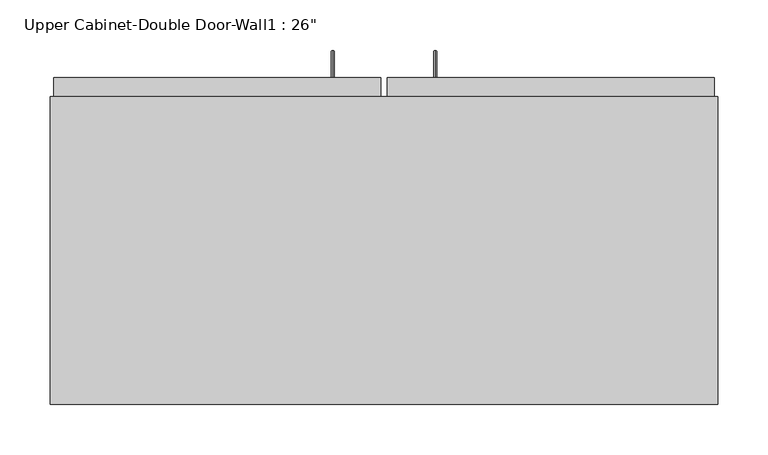
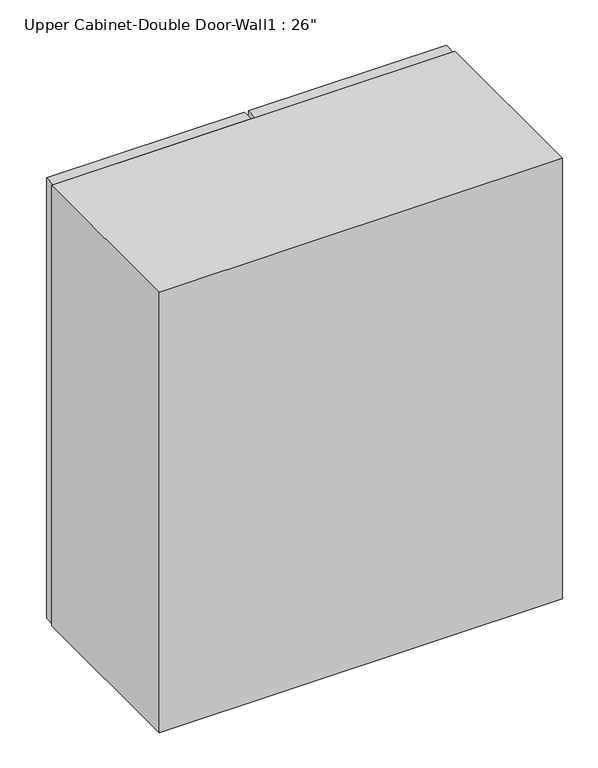
"""IFC4 building model written with IfcOpenShell, lengths in millimetres: furniture geometry."""

from ifc_helpers import new_model, si_unit, frame, origin, place, context, project, spatial, polyline, circle_curve, ellipse_curve, outline, extrude, faceted_brep, source, transform, mapped, element, save
from ifc_brep_helpers import plane_surface, cylinder_surface, advanced_brep


def furniture_7f459caa(model_context):
    return source(origin(), model_context, "Body", "SolidModel", [
        advanced_brep(
        [(80.5132081, 385.7625, 1425.575), (80.5132081, 385.7625, 1422.4), (80.5132081, 409.575, 1425.575), (80.5132081, 412.75, 1422.4), (80.5132081, 409.575, 1597.025), (80.5132081, 412.75, 1600.2), (80.5132081, 385.7625, 1597.025), (80.5132081, 385.7625, 1600.2)],
        [
            (0, 1, circle_curve(frame((80.5132081, 385.7625, 1423.9875), z_axis=(0.0, -1.0, 0.0), x_axis=(0.0, 0.0, -1.0)), 1.5875)),
            (1, 0, circle_curve(frame((80.5132081, 385.7625, 1423.9875), z_axis=(0.0, -1.0, 0.0), x_axis=(0.0, 0.0, -1.0)), 1.5875)),
            (0, 2),
            (2, 3, ellipse_curve(frame((80.5132081, 411.1625, 1423.9875), z_axis=(0.0, -0.7071067811865536, -0.7071067811865416), x_axis=(0.0, -0.7071067811865415, 0.7071067811865536)), 2.245064, 1.5875)),
            (3, 1),
            (3, 2, ellipse_curve(frame((80.5132081, 411.1625, 1423.9875), z_axis=(0.0, -0.7071067811865536, -0.7071067811865416), x_axis=(0.0, -0.7071067811865415, 0.7071067811865536)), 2.245064, 1.5875)),
            (2, 4),
            (4, 5, ellipse_curve(frame((80.5132081, 411.1625, 1598.6125), z_axis=(0.0, 0.7071067811865415, -0.7071067811865535), x_axis=(0.0, -0.7071067811865533, -0.7071067811865418)), 2.245064, 1.5875)),
            (5, 3),
            (5, 4, ellipse_curve(frame((80.5132081, 411.1625, 1598.6125), z_axis=(0.0, 0.7071067811865415, -0.7071067811865535), x_axis=(0.0, -0.7071067811865533, -0.7071067811865418)), 2.245064, 1.5875)),
            (6, 7, circle_curve(frame((80.5132081, 385.7625, 1598.6125), z_axis=(0.0, -1.0, 0.0), x_axis=(0.0, 0.0, 1.0)), 1.5875)),
            (7, 6, circle_curve(frame((80.5132081, 385.7625, 1598.6125), z_axis=(0.0, -1.0, 0.0), x_axis=(0.0, 0.0, 1.0)), 1.5875)),
            (4, 6),
            (7, 5),
        ],
        [
            plane_surface(frame((80.5132081, 385.7625, 1423.9875), z_axis=(0.0, -1.0, 0.0), x_axis=(-1.0, 0.0, 0.0))),
            cylinder_surface(frame((80.5132081, 385.7625, 1423.9875), z_axis=(0.0, -1.0, 0.0), x_axis=(0.0, 0.0, -1.0)), 1.5875),
            cylinder_surface(frame((80.5132081, 411.1625, 1423.9875), z_axis=(0.0, 0.0, -1.0), x_axis=(0.0, 1.0, 0.0)), 1.5875),
            plane_surface(frame((80.5132081, 385.7625, 1598.6125), z_axis=(0.0, -1.0, 0.0), x_axis=(-1.0, 0.0, 0.0))),
            cylinder_surface(frame((80.5132081, 411.1625, 1598.6125), z_axis=(0.0, 1.0, 0.0), x_axis=(0.0, 0.0, 1.0)), 1.5875),
        ],
        [
            (0, [[1, 2]]),
            (1, [[-1, 3, 4, 5]]),
            (1, [[-2, -5, 6, -3]]),
            (2, [[-4, 7, 8, 9]]),
            (2, [[-6, -9, 10, -7]]),
            (3, [[11, 12]]),
            (4, [[-8, 13, -12, 14]]),
            (4, [[-10, -14, -11, -13]]),
        ],
    ),
        advanced_brep(
        [(-21.0867919, 385.7625, 1425.575), (-21.0867919, 385.7625, 1422.4), (-21.0867919, 409.575, 1425.575), (-21.0867919, 412.75, 1422.4), (-21.0867919, 409.575, 1597.025), (-21.0867919, 412.75, 1600.2), (-21.0867919, 385.7625, 1597.025), (-21.0867919, 385.7625, 1600.2)],
        [
            (0, 1, circle_curve(frame((-21.0867919, 385.7625, 1423.9875), z_axis=(0.0, -1.0, 0.0), x_axis=(0.0, 0.0, -1.0)), 1.5875)),
            (1, 0, circle_curve(frame((-21.0867919, 385.7625, 1423.9875), z_axis=(0.0, -1.0, 0.0), x_axis=(0.0, 0.0, -1.0)), 1.5875)),
            (0, 2),
            (2, 3, ellipse_curve(frame((-21.0867919, 411.1625, 1423.9875), z_axis=(0.0, -0.7071067811865536, -0.7071067811865414), x_axis=(0.0, -0.7071067811865416, 0.7071067811865535)), 2.245064, 1.5875)),
            (3, 1),
            (3, 2, ellipse_curve(frame((-21.0867919, 411.1625, 1423.9875), z_axis=(0.0, -0.7071067811865536, -0.7071067811865414), x_axis=(0.0, -0.7071067811865416, 0.7071067811865535)), 2.245064, 1.5875)),
            (2, 4),
            (4, 5, ellipse_curve(frame((-21.0867919, 411.1625, 1598.6125), z_axis=(0.0, 0.7071067811865415, -0.7071067811865535), x_axis=(0.0, -0.7071067811865533, -0.7071067811865416)), 2.245064, 1.5875)),
            (5, 3),
            (5, 4, ellipse_curve(frame((-21.0867919, 411.1625, 1598.6125), z_axis=(0.0, 0.7071067811865415, -0.7071067811865535), x_axis=(0.0, -0.7071067811865533, -0.7071067811865416)), 2.245064, 1.5875)),
            (6, 7, circle_curve(frame((-21.0867919, 385.7625, 1598.6125), z_axis=(0.0, -1.0, 0.0), x_axis=(0.0, 0.0, 1.0)), 1.5875)),
            (7, 6, circle_curve(frame((-21.0867919, 385.7625, 1598.6125), z_axis=(0.0, -1.0, 0.0), x_axis=(0.0, 0.0, 1.0)), 1.5875)),
            (4, 6),
            (7, 5),
        ],
        [
            plane_surface(frame((-21.0867919, 385.7625, 1423.9875), z_axis=(0.0, -1.0, 0.0), x_axis=(-1.0, 0.0, 0.0))),
            cylinder_surface(frame((-21.0867919, 385.7625, 1423.9875), z_axis=(0.0, -1.0, 0.0), x_axis=(0.0, 0.0, -1.0)), 1.5875),
            cylinder_surface(frame((-21.0867919, 411.1625, 1423.9875), z_axis=(0.0, 0.0, -1.0), x_axis=(0.0, 1.0, 0.0)), 1.5875),
            plane_surface(frame((-21.0867919, 385.7625, 1598.6125), z_axis=(0.0, -1.0, 0.0), x_axis=(-1.0, 0.0, 0.0))),
            cylinder_surface(frame((-21.0867919, 411.1625, 1598.6125), z_axis=(0.0, 1.0, 0.0), x_axis=(0.0, 0.0, 1.0)), 1.5875),
        ],
        [
            (0, [[1, 2]]),
            (1, [[-1, 3, 4, 5]]),
            (1, [[-2, -5, 6, -3]]),
            (2, [[-4, 7, 8, 9]]),
            (2, [[-6, -9, 10, -7]]),
            (3, [[11, 12]]),
            (4, [[-8, 13, -12, 14]]),
            (4, [[-10, -14, -11, -13]]),
        ],
    ),
        faceted_brep([(-300.4288372, 61.9125, 2133.6), (-300.4288372, 61.9125, 1371.6), (359.9711628, 61.9125, 1371.6), (359.9711628, 61.9125, 2133.6), (-300.4288372, 366.7125, 2133.6), (359.9711628, 366.7125, 2133.6), (359.9711628, 366.7125, 1371.6), (-300.4288372, 366.7125, 1371.6), (340.9211628, 366.7125, 2114.55), (55.1711628, 366.7125, 2114.55), (55.1711628, 366.7125, 1390.65), (340.9211628, 366.7125, 1390.65), (-281.3788372, 366.7125, 2114.55), (-281.3788372, 366.7125, 1390.65), (4.3711628, 366.7125, 1390.65), (4.3711628, 366.7125, 2114.55), (-281.3788372, 80.9625, 2114.55), (4.3711628, 347.6625, 2114.55), (55.1711628, 347.6625, 2114.55), (340.9211628, 80.9625, 2114.55), (340.9211628, 80.9625, 1390.65), (55.1711628, 347.6625, 1390.65), (4.3711628, 347.6625, 1390.65), (-281.3788372, 80.9625, 1390.65)], [[[0, 1, 2, 3]], [[4, 5, 6, 7], [8, 9, 10, 11], [12, 13, 14, 15]], [[1, 0, 4, 7]], [[2, 1, 7, 6]], [[3, 2, 6, 5]], [[0, 3, 5, 4]], [[16, 12, 15, 17, 18, 9, 8, 19]], [[8, 11, 20, 19]], [[20, 11, 10, 21, 22, 14, 13, 23]], [[13, 12, 16, 23]], [[16, 19, 20, 23]], [[18, 21, 10, 9]], [[15, 14, 22, 17]], [[21, 18, 17, 22]]]),
        extrude(outline(polyline([(32.9461628, 385.7625), (356.7961628, 385.7625), (356.7961628, 366.7125), (32.9461628, 366.7125), (32.9461628, 385.7625)])), frame((0.0, 0.0, 1371.6), z_axis=(0.0, 0.0, 1.0), x_axis=(1.0, 0.0, 0.0)), (0.0, 0.0, 1.0), 762.0),
        extrude(outline(polyline([(-297.2538372, 385.7625), (26.5961628, 385.7625), (26.5961628, 366.7125), (-297.2538372, 366.7125), (-297.2538372, 385.7625)])), frame((0.0, 0.0, 1371.6), z_axis=(0.0, 0.0, 1.0), x_axis=(1.0, 0.0, 0.0)), (0.0, 0.0, 1.0), 762.0),
        extrude(outline(polyline([(340.9211628, 347.6625), (340.9211628, 80.9625), (-281.3788372, 80.9625), (-281.3788372, 347.6625), (340.9211628, 347.6625)])), frame((0.0, 0.0, 1951.0326388), z_axis=(0.0, 0.0, 1.0), x_axis=(1.0, 0.0, 0.0)), (0.0, 0.0, 1.0), 12.7),
        extrude(outline(polyline([(340.9211628, 347.6625), (340.9211628, 80.9625), (-281.3788372, 80.9625), (-281.3788372, 347.6625), (340.9211628, 347.6625)])), frame((0.0, 0.0, 1773.2326388), z_axis=(0.0, 0.0, 1.0), x_axis=(1.0, 0.0, 0.0)), (0.0, 0.0, 1.0), 12.7),
        extrude(outline(polyline([(340.9211628, 347.6625), (340.9211628, 80.9625), (-281.3788372, 80.9625), (-281.3788372, 347.6625), (340.9211628, 347.6625)])), frame((0.0, 0.0, 1595.4326388), z_axis=(0.0, 0.0, 1.0), x_axis=(1.0, 0.0, 0.0)), (0.0, 0.0, 1.0), 12.7),
    ])


if __name__ == "__main__":
    model = new_model("IFC4")
    model_context = context("Model", 3, world=origin())
    ifc_project = project(units=[si_unit("LENGTHUNIT", "METRE", prefix="MILLI")], contexts=[model_context])
    site = spatial("IfcSite", under=ifc_project)
    building = spatial("IfcBuilding", under=site)
    placement = place(None, origin())
    furniture_shape = furniture_7f459caa(model_context)
    element("IfcFurniture", 1, ObjectType="Upper Cabinet-Double Door-Wall1 : 26\"", at=placement, inside=building, context=model_context, shape_type="MappedRepresentation", body=[
        mapped(furniture_shape, transform((0.0, 0.0, 0.0), x_axis=(1.0, 0.0, 0.0), y_axis=(0.0, 1.0, 0.0), z_axis=(0.0, 0.0, 1.0))),
    ])
    save(model, "model.ifc")
